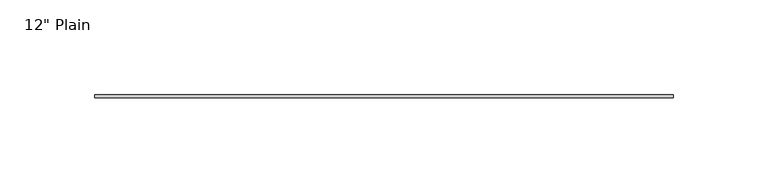
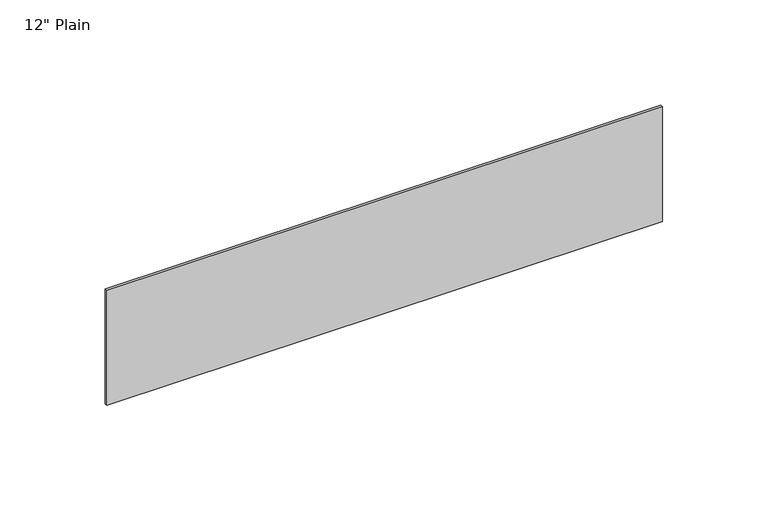
"""IFC4 building model written with IfcOpenShell, lengths in millimetres: furniture geometry."""

from ifc_helpers import new_model, si_unit, frame, origin, place, context, project, spatial, polyline, outline, extrude, source, transform, mapped, element, save


def furniture_f31d5bc7(model_context):
    return source(origin(), model_context, "Body", "SweptSolid", [
        extrude(outline(polyline([(171.1377049, -1.5875), (-133.6622951, -1.5875), (-133.6622951, 0.0), (171.1377049, 0.0), (171.1377049, -1.5875)])), frame((0.0, 0.0, 1085.85), z_axis=(0.0, 0.0, 1.0), x_axis=(1.0, 0.0, 0.0)), (0.0, 0.0, 1.0), 66.675),
    ])


if __name__ == "__main__":
    model = new_model("IFC4")
    model_context = context("Model", 3, world=origin())
    ifc_project = project(units=[si_unit("LENGTHUNIT", "METRE", prefix="MILLI")], contexts=[model_context])
    site = spatial("IfcSite", under=ifc_project)
    building = spatial("IfcBuilding", under=site)
    placement = place(None, origin())
    furniture_shape = furniture_f31d5bc7(model_context)
    element("IfcFurniture", 1, ObjectType="12\" Plain", at=placement, inside=building, context=model_context, shape_type="MappedRepresentation", body=[
        mapped(furniture_shape, transform((0.0, 0.0, 0.0), x_axis=(1.0, 0.0, 0.0), y_axis=(0.0, 1.0, 0.0), z_axis=(0.0, 0.0, 1.0))),
    ])
    save(model, "model.ifc")
